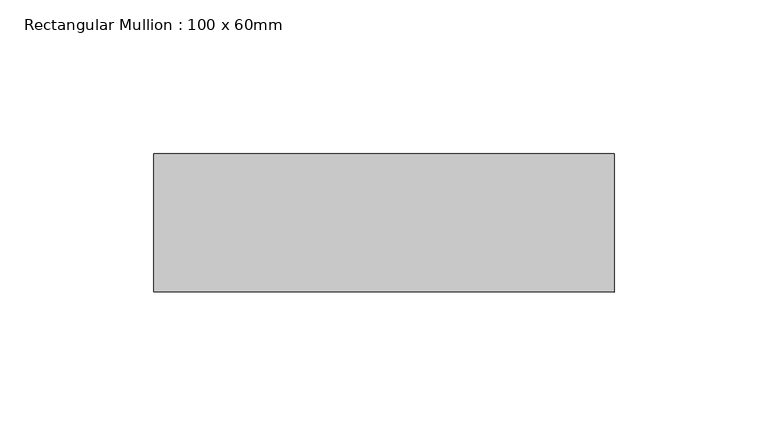
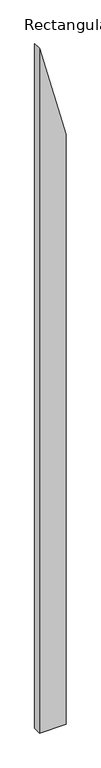
"""IFC4 building model written with IfcOpenShell, lengths in millimetres: member geometry, Rectangular Mullion : 100 x 60mm."""

from ifc_helpers import new_model, si_unit, frame, origin, place, context, project, spatial, polyline, outline, extrude, source, transform, mapped, element, save


def rectangular_mullion_100_x_60mm_0663eeac(model_context):
    return source(origin(), model_context, "Body", "SweptSolid", [
        extrude(outline(polyline([(-1245.8296369, 75.0), (-686.0220157, -75.0), (-4727.4066103, -75.0), (-4727.4066103, 75.0), (-1245.8296369, 75.0)])), frame((0.0, -30.0, 0.0), z_axis=(0.0, 1.0, 0.0), x_axis=(0.0, 0.0, 1.0)), (0.0, 0.0, 1.0), 45.0),
    ])


if __name__ == "__main__":
    model = new_model("IFC4")
    model_context = context("Model", 3, world=origin())
    ifc_project = project(units=[si_unit("LENGTHUNIT", "METRE", prefix="MILLI")], contexts=[model_context])
    site = spatial("IfcSite", under=ifc_project)
    building = spatial("IfcBuilding", under=site)
    placement = place(None, origin())
    rectangular_mullion_100_x_60mm_shape = rectangular_mullion_100_x_60mm_0663eeac(model_context)
    element("IfcMember", 1, ObjectType="Rectangular Mullion : 100 x 60mm", at=placement, inside=building, context=model_context, shape_type="MappedRepresentation", body=[
        mapped(rectangular_mullion_100_x_60mm_shape, transform((0.0, 0.0, 0.0), x_axis=(1.0, 0.0, 0.0), y_axis=(0.0, 1.0, 0.0), z_axis=(0.0, 0.0, 1.0))),
    ])
    save(model, "model.ifc")
